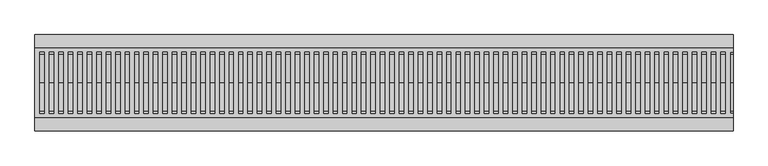
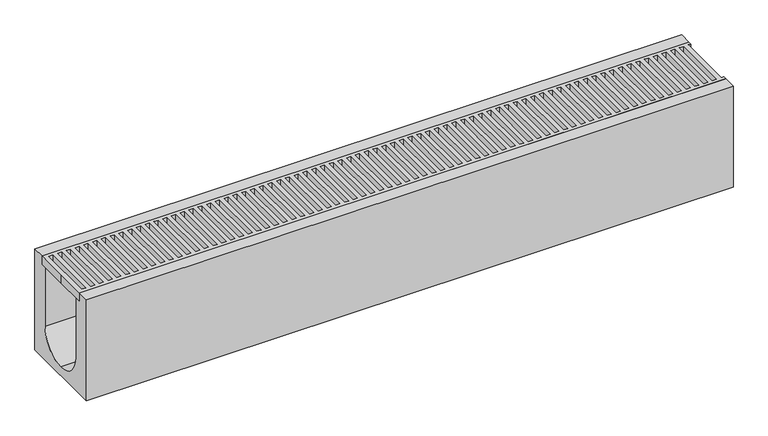
"""IFC4 building model written with IfcOpenShell, lengths in millimetres: proxy geometry."""

from ifc_helpers import new_model, si_unit, point, frame, frame_2d, origin, place, context, project, spatial, polyline, circle_curve, trimmed, segment, composite_curve, outline, extrude, source, transform, mapped, element, save


def generic_models_e16002a6(model_context):
    return source(origin(), model_context, "Body", "SweptSolid", [
        extrude(outline(polyline([(0.0, 90.0), (1814.171482, 90.0), (1814.171482, 80.0), (1806.7434303, 80.0), (1806.7434303, -80.0), (1814.171482, -80.0), (1814.171482, -90.0), (0.0, -90.0), (0.0, 0.0), (0.0, 90.0)]), holes=[polyline([(1007.3603678, 80.0), (995.941183, 80.0), (995.941183, -80.0), (1007.3603678, -80.0), (1007.3603678, 80.0)]), polyline([(24.5697651, 80.0), (13.1505803, 80.0), (13.1505803, -80.0), (24.5697651, -80.0), (24.5697651, 80.0)]), polyline([(49.1395301, 80.0), (37.7203454, 80.0), (37.7203454, -80.0), (49.1395301, -80.0), (49.1395301, 80.0)]), polyline([(73.7092952, 80.0), (62.2901104, 80.0), (62.2901104, -80.0), (73.7092952, -80.0), (73.7092952, 80.0)]), polyline([(98.2790603, 80.0), (86.8598755, 80.0), (86.8598755, -80.0), (98.2790603, -80.0), (98.2790603, 80.0)]), polyline([(122.8488253, 80.0), (111.4296406, 80.0), (111.4296406, -80.0), (122.8488253, -80.0), (122.8488253, 80.0)]), polyline([(147.4185904, 80.0), (135.9994056, 80.0), (135.9994056, -80.0), (147.4185904, -80.0), (147.4185904, 80.0)]), polyline([(171.9883555, 80.0), (160.5691707, 80.0), (160.5691707, -80.0), (171.9883555, -80.0), (171.9883555, 80.0)]), polyline([(196.5581205, 80.0), (185.1389358, 80.0), (185.1389358, -80.0), (196.5581205, -80.0), (196.5581205, 80.0)]), polyline([(221.1278856, 80.0), (209.7087008, 80.0), (209.7087008, -80.0), (221.1278856, -80.0), (221.1278856, 80.0)]), polyline([(245.6976507, 80.0), (234.2784659, 80.0), (234.2784659, -80.0), (245.6976507, -80.0), (245.6976507, 80.0)]), polyline([(270.2674158, 80.0), (258.848231, 80.0), (258.848231, -80.0), (270.2674158, -80.0), (270.2674158, 80.0)]), polyline([(294.8371808, 80.0), (283.417996, 80.0), (283.417996, -80.0), (294.8371808, -80.0), (294.8371808, 80.0)]), polyline([(319.4069459, 80.0), (307.9877611, 80.0), (307.9877611, -80.0), (319.4069459, -80.0), (319.4069459, 80.0)]), polyline([(343.976711, 80.0), (332.5575262, 80.0), (332.5575262, -80.0), (343.976711, -80.0), (343.976711, 80.0)]), polyline([(368.546476, 80.0), (357.1272912, 80.0), (357.1272912, -80.0), (368.546476, -80.0), (368.546476, 80.0)]), polyline([(393.1162411, 80.0), (381.6970563, 80.0), (381.6970563, -80.0), (393.1162411, -80.0), (393.1162411, 80.0)]), polyline([(417.6860062, 80.0), (406.2668214, 80.0), (406.2668214, -80.0), (417.6860062, -80.0), (417.6860062, 80.0)]), polyline([(442.2557712, 80.0), (430.8365865, 80.0), (430.8365865, -80.0), (442.2557712, -80.0), (442.2557712, 80.0)]), polyline([(466.8255363, 80.0), (455.4063515, 80.0), (455.4063515, -80.0), (466.8255363, -80.0), (466.8255363, 80.0)]), polyline([(491.3953014, 80.0), (479.9761166, 80.0), (479.9761166, -80.0), (491.3953014, -80.0), (491.3953014, 80.0)]), polyline([(515.9650664, 80.0), (504.5458817, 80.0), (504.5458817, -80.0), (515.9650664, -80.0), (515.9650664, 80.0)]), polyline([(540.5348315, 80.0), (529.1156467, 80.0), (529.1156467, -80.0), (540.5348315, -80.0), (540.5348315, 80.0)]), polyline([(565.1045966, 80.0), (553.6854118, 80.0), (553.6854118, -80.0), (565.1045966, -80.0), (565.1045966, 80.0)]), polyline([(589.6743616, 80.0), (578.2551769, 80.0), (578.2551769, -80.0), (589.6743616, -80.0), (589.6743616, 80.0)]), polyline([(614.2441267, 80.0), (602.8249419, 80.0), (602.8249419, -80.0), (614.2441267, -80.0), (614.2441267, 80.0)]), polyline([(638.8138918, 80.0), (627.394707, 80.0), (627.394707, -80.0), (638.8138918, -80.0), (638.8138918, 80.0)]), polyline([(663.3836568, 80.0), (651.9644721, 80.0), (651.9644721, -80.0), (663.3836568, -80.0), (663.3836568, 80.0)]), polyline([(687.9534219, 80.0), (676.5342371, 80.0), (676.5342371, -80.0), (687.9534219, -80.0), (687.9534219, 80.0)]), polyline([(712.523187, 80.0), (701.1040022, 80.0), (701.1040022, -80.0), (712.523187, -80.0), (712.523187, 80.0)]), polyline([(737.092952, 80.0), (725.6737673, 80.0), (725.6737673, -80.0), (737.092952, -80.0), (737.092952, 80.0)]), polyline([(761.6627171, 80.0), (750.2435323, 80.0), (750.2435323, -80.0), (761.6627171, -80.0), (761.6627171, 80.0)]), polyline([(786.2324822, 80.0), (774.8132974, 80.0), (774.8132974, -80.0), (786.2324822, -80.0), (786.2324822, 80.0)]), polyline([(810.8022473, 80.0), (799.3830625, 80.0), (799.3830625, -80.0), (810.8022473, -80.0), (810.8022473, 80.0)]), polyline([(835.3720123, 80.0), (823.9528275, 80.0), (823.9528275, -80.0), (835.3720123, -80.0), (835.3720123, 80.0)]), polyline([(859.9417774, 80.0), (848.5225926, 80.0), (848.5225926, -80.0), (859.9417774, -80.0), (859.9417774, 80.0)]), polyline([(884.5115425, 80.0), (873.0923577, 80.0), (873.0923577, -80.0), (884.5115425, -80.0), (884.5115425, 80.0)]), polyline([(909.0813075, 80.0), (897.6621227, 80.0), (897.6621227, -80.0), (909.0813075, -80.0), (909.0813075, 80.0)]), polyline([(933.6510726, 80.0), (922.2318878, 80.0), (922.2318878, -80.0), (933.6510726, -80.0), (933.6510726, 80.0)]), polyline([(958.2208377, 80.0), (946.8016529, 80.0), (946.8016529, -80.0), (958.2208377, -80.0), (958.2208377, 80.0)]), polyline([(982.7906027, 80.0), (971.371418, 80.0), (971.371418, -80.0), (982.7906027, -80.0), (982.7906027, 80.0)]), polyline([(1031.9301329, 80.0), (1020.5109481, 80.0), (1020.5109481, -80.0), (1031.9301329, -80.0), (1031.9301329, 80.0)]), polyline([(1056.4998979, 80.0), (1045.0807132, 80.0), (1045.0807132, -80.0), (1056.4998979, -80.0), (1056.4998979, 80.0)]), polyline([(1081.069663, 80.0), (1069.6504782, 80.0), (1069.6504782, -80.0), (1081.069663, -80.0), (1081.069663, 80.0)]), polyline([(1105.6394281, 80.0), (1094.2202433, 80.0), (1094.2202433, -80.0), (1105.6394281, -80.0), (1105.6394281, 80.0)]), polyline([(1130.2091931, 80.0), (1118.7900084, 80.0), (1118.7900084, -80.0), (1130.2091931, -80.0), (1130.2091931, 80.0)]), polyline([(1154.7789582, 80.0), (1143.3597734, 80.0), (1143.3597734, -80.0), (1154.7789582, -80.0), (1154.7789582, 80.0)]), polyline([(1179.3487233, 80.0), (1167.9295385, 80.0), (1167.9295385, -80.0), (1179.3487233, -80.0), (1179.3487233, 80.0)]), polyline([(1203.9184883, 80.0), (1192.4993036, 80.0), (1192.4993036, -80.0), (1203.9184883, -80.0), (1203.9184883, 80.0)]), polyline([(1228.4882534, 80.0), (1217.0690686, 80.0), (1217.0690686, -80.0), (1228.4882534, -80.0), (1228.4882534, 80.0)]), polyline([(1253.0580185, 80.0), (1241.6388337, 80.0), (1241.6388337, -80.0), (1253.0580185, -80.0), (1253.0580185, 80.0)]), polyline([(1277.6277835, 80.0), (1266.2085988, 80.0), (1266.2085988, -80.0), (1277.6277835, -80.0), (1277.6277835, 80.0)]), polyline([(1302.1975486, 80.0), (1290.7783638, 80.0), (1290.7783638, -80.0), (1302.1975486, -80.0), (1302.1975486, 80.0)]), polyline([(1326.7673137, 80.0), (1315.3481289, 80.0), (1315.3481289, -80.0), (1326.7673137, -80.0), (1326.7673137, 80.0)]), polyline([(1351.3370788, 80.0), (1339.917894, 80.0), (1339.917894, -80.0), (1351.3370788, -80.0), (1351.3370788, 80.0)]), polyline([(1375.9068438, 80.0), (1364.487659, 80.0), (1364.487659, -80.0), (1375.9068438, -80.0), (1375.9068438, 80.0)]), polyline([(1400.4766089, 80.0), (1389.0574241, 80.0), (1389.0574241, -80.0), (1400.4766089, -80.0), (1400.4766089, 80.0)]), polyline([(1425.046374, 80.0), (1413.6271892, 80.0), (1413.6271892, -80.0), (1425.046374, -80.0), (1425.046374, 80.0)]), polyline([(1449.616139, 80.0), (1438.1969542, 80.0), (1438.1969542, -80.0), (1449.616139, -80.0), (1449.616139, 80.0)]), polyline([(1474.1859041, 80.0), (1462.7667193, 80.0), (1462.7667193, -80.0), (1474.1859041, -80.0), (1474.1859041, 80.0)]), polyline([(1498.7556692, 80.0), (1487.3364844, 80.0), (1487.3364844, -80.0), (1498.7556692, -80.0), (1498.7556692, 80.0)]), polyline([(1523.3254342, 80.0), (1511.9062495, 80.0), (1511.9062495, -80.0), (1523.3254342, -80.0), (1523.3254342, 80.0)]), polyline([(1547.8951993, 80.0), (1536.4760145, 80.0), (1536.4760145, -80.0), (1547.8951993, -80.0), (1547.8951993, 80.0)]), polyline([(1572.4649644, 80.0), (1561.0457796, 80.0), (1561.0457796, -80.0), (1572.4649644, -80.0), (1572.4649644, 80.0)]), polyline([(1597.0347294, 80.0), (1585.6155447, 80.0), (1585.6155447, -80.0), (1597.0347294, -80.0), (1597.0347294, 80.0)]), polyline([(1621.6044945, 80.0), (1610.1853097, 80.0), (1610.1853097, -80.0), (1621.6044945, -80.0), (1621.6044945, 80.0)]), polyline([(1646.1742596, 80.0), (1634.7550748, 80.0), (1634.7550748, -80.0), (1646.1742596, -80.0), (1646.1742596, 80.0)]), polyline([(1670.7440246, 80.0), (1659.3248399, 80.0), (1659.3248399, -80.0), (1670.7440246, -80.0), (1670.7440246, 80.0)]), polyline([(1695.3137897, 80.0), (1683.8946049, 80.0), (1683.8946049, -80.0), (1695.3137897, -80.0), (1695.3137897, 80.0)]), polyline([(1719.8835548, 80.0), (1708.46437, 80.0), (1708.46437, -80.0), (1719.8835548, -80.0), (1719.8835548, 80.0)]), polyline([(1744.4533198, 80.0), (1733.0341351, 80.0), (1733.0341351, -80.0), (1744.4533198, -80.0), (1744.4533198, 80.0)]), polyline([(1769.0230849, 80.0), (1757.6039001, 80.0), (1757.6039001, -80.0), (1769.0230849, -80.0), (1769.0230849, 80.0)]), polyline([(1793.59285, 80.0), (1782.1736652, 80.0), (1782.1736652, -80.0), (1793.59285, -80.0), (1793.59285, 80.0)])]), frame((0.0, 0.0, -25.0), z_axis=(0.0, 0.0, 1.0), x_axis=(1.0, 0.0, 0.0)), (0.0, 0.0, 1.0), 25.0),
        extrude(outline(composite_curve([segment(polyline([(125.0, 0.0), (125.0, -300.0), (-125.0, -300.0), (-125.0, 0.0), (-90.0, 0.0), (-90.0, -25.0), (-75.0, -25.0), (-75.0, -200.0)]), True, "CONTINUOUS"), segment(trimmed(circle_curve(frame_2d((0.0, -200.0)), 75.0), [point((-75.0, -200.0))], [point((0.0, -275.0))], True, "CARTESIAN"), True, "CONTINUOUS"), segment(trimmed(circle_curve(frame_2d((0.0, -200.0)), 75.0), [point((0.0, -275.0))], [point((75.0, -200.0))], True, "CARTESIAN"), True, "CONTINUOUS"), segment(polyline([(75.0, -200.0), (75.0, -25.0), (90.0, -25.0), (90.0, 0.0), (125.0, 0.0)]), True, "CONTINUOUS")], self_intersect=False)), frame((0.0, 0.0, 0.0), z_axis=(1.0, 0.0, 0.0), x_axis=(0.0, 1.0, 0.0)), (0.0, 0.0, 1.0), 1814.171482),
    ])


if __name__ == "__main__":
    model = new_model("IFC4")
    model_context = context("Model", 3, world=origin())
    ifc_project = project(units=[si_unit("LENGTHUNIT", "METRE", prefix="MILLI")], contexts=[model_context])
    site = spatial("IfcSite", under=ifc_project)
    building = spatial("IfcBuilding", under=site)
    placement = place(None, origin())
    generic_models_shape = generic_models_e16002a6(model_context)
    element("IfcBuildingElementProxy", 1, Name="Generic Models", at=placement, inside=building, context=model_context, shape_type="MappedRepresentation", body=[
        mapped(generic_models_shape, transform((0.0, 0.0, 0.0), x_axis=(1.0, 0.0, 0.0), y_axis=(0.0, 1.0, 0.0), z_axis=(0.0, 0.0, 1.0))),
    ])
    save(model, "model.ifc")
